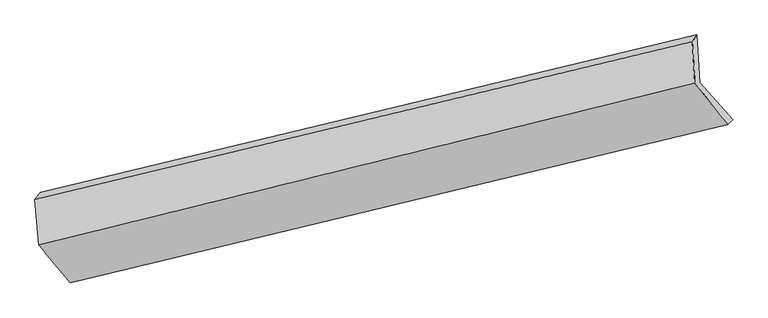
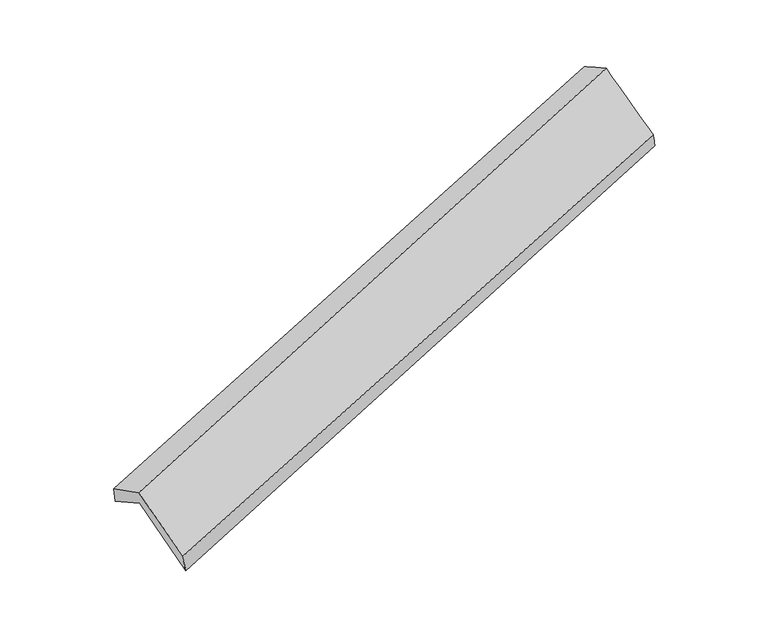
"""IFC4 building model written with IfcOpenShell, lengths in millimetres: proxy geometry."""

from ifc_helpers import new_model, si_unit, frame, origin, place, context, project, spatial, source, transform, mapped, element, save
from ifc_brep_helpers import plane_surface, spline_surface, advanced_brep


def generic_models_a1122511(model_context):
    return source(origin(), model_context, "Body", "AdvancedBrep", [
        advanced_brep(
        [(-5118.006324, -2377.6288374, 739.8221071), (-5366.0735712, -2095.7009793, 1298.0163109), (-466.3294976, -925.8119079, 2902.5852862), (-222.4029788, -1203.5165024, 2352.8016911), (-5387.4652728, -1746.6111042, 1112.1943503), (-488.1539515, -569.659976, 2713.0041641), (-5428.9942138, -1797.7209769, 1276.4582981), (-522.9495795, -621.0492003, 2857.0155263), (-5401.3042572, -2137.8938273, 1436.5283389), (-503.9612798, -930.9181053, 3021.9600048), (-5167.0437936, -2421.1017967, 921.6273534), (-259.5464423, -1241.0299966, 2494.0310004)],
        [
            (0, 1),
            (1, 2),
            (2, 3),
            (3, 0),
            (1, 4),
            (4, 5),
            (5, 2),
            (4, 6),
            (6, 7),
            (7, 5),
            (6, 8),
            (8, 9),
            (9, 7),
            (8, 10),
            (10, 11),
            (11, 9),
            (10, 0),
            (3, 11),
        ],
        [
            spline_surface(1, 1, [[(-5118.006324, -2377.6288374, 739.8221071), (-222.4029788, -1203.5165024, 2352.8016911)], [(-5366.0735712, -2095.7009793, 1298.0163109), (-466.3294976, -925.8119079, 2902.5852862)]], [2, 2], [2, 2], [0.0, 1.0], [0.0, 1.0]),
            plane_surface(frame((-5376.769422, -1921.1560417, 1205.1053306), z_axis=(0.3713451569567864, -0.4184484092086645, -0.8288568653485824), x_axis=(-0.054013395986332376, 0.8814413164648471, -0.4691947982264307))),
            spline_surface(1, 1, [[(-5387.4652728, -1746.6111042, 1112.1943503), (-488.1539515, -569.659976, 2713.0041641)], [(-5428.9942138, -1797.7209769, 1276.4582981), (-522.9495795, -621.0492003, 2857.0155263)]], [2, 2], [2, 2], [0.0, 1.0], [0.0, 1.0]),
            spline_surface(1, 1, [[(-5428.9942138, -1797.7209769, 1276.4582981), (-522.9495795, -621.0492003, 2857.0155263)], [(-5401.3042572, -2137.8938273, 1436.5283389), (-503.9612798, -930.9181053, 3021.9600048)]], [2, 2], [2, 2], [0.0, 1.0], [0.0, 1.0]),
            spline_surface(1, 1, [[(-5401.3042572, -2137.8938273, 1436.5283389), (-503.9612798, -930.9181053, 3021.9600048)], [(-5167.0437936, -2421.1017967, 921.6273534), (-259.5464423, -1241.0299966, 2494.0310004)]], [2, 2], [2, 2], [0.0, 1.0], [0.0, 1.0]),
            spline_surface(1, 1, [[(-5167.0437936, -2421.1017967, 921.6273534), (-259.5464423, -1241.0299966, 2494.0310004)], [(-5118.006324, -2377.6288374, 739.8221071), (-222.4029788, -1203.5165024, 2352.8016911)]], [2, 2], [2, 2], [0.0, 1.0], [0.0, 1.0]),
            plane_surface(frame((-410.5572882, -915.3309481, 2723.5662788), z_axis=(0.928175881864286, 0.21758296864299756, 0.3019059192562405), x_axis=(0.37074405528452564, -0.47039754777087717, -0.8007964738448403))),
            plane_surface(frame((-5311.4812388, -2096.109587, 1130.7744598), z_axis=(-0.9279649081673801, -0.21782294834546162, -0.3023810384002217), x_axis=(-0.25374413313907906, -0.22495060327787267, 0.9407503074580515))),
        ],
        [
            (0, [[1, 2, 3, 4]]),
            (1, [[5, 6, 7, -2]]),
            (2, [[8, 9, 10, -6]]),
            (3, [[11, 12, 13, -9]]),
            (4, [[14, 15, 16, -12]]),
            (5, [[17, -4, 18, -15]]),
            (6, [[-16, -18, -3, -7, -10, -13]]),
            (7, [[-17, -14, -11, -8, -5, -1]]),
        ],
    ),
    ])


if __name__ == "__main__":
    model = new_model("IFC4")
    model_context = context("Model", 3, world=origin())
    ifc_project = project(units=[si_unit("LENGTHUNIT", "METRE", prefix="MILLI")], contexts=[model_context])
    site = spatial("IfcSite", under=ifc_project)
    building = spatial("IfcBuilding", under=site)
    placement = place(None, origin())
    generic_models_shape = generic_models_a1122511(model_context)
    element("IfcBuildingElementProxy", 1, Name="Generic Models", at=placement, inside=building, context=model_context, shape_type="MappedRepresentation", body=[
        mapped(generic_models_shape, transform((0.0, 0.0, 0.0), x_axis=(1.0, 0.0, 0.0), y_axis=(0.0, 1.0, 0.0), z_axis=(0.0, 0.0, 1.0))),
    ])
    save(model, "model.ifc")
